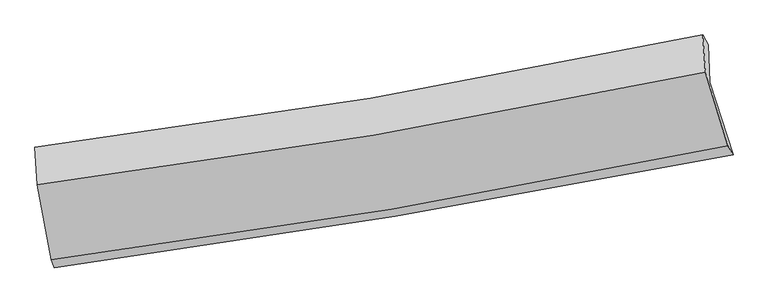
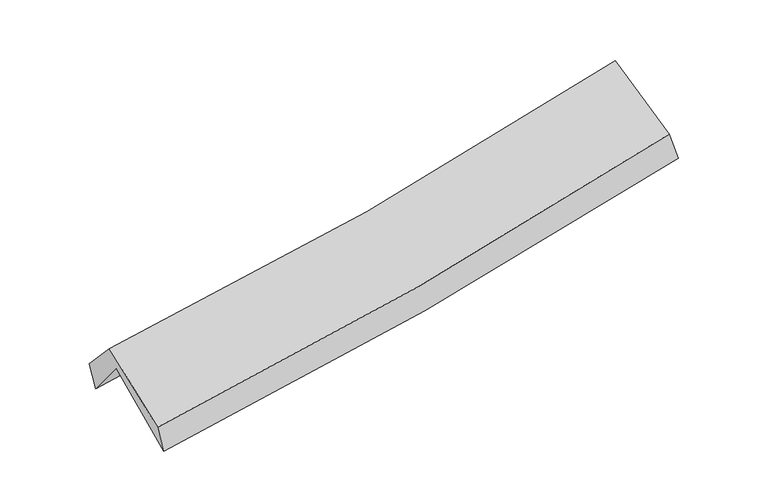
"""IFC4 building model written with IfcOpenShell, lengths in millimetres: proxy geometry."""

from ifc_helpers import new_model, si_unit, frame, origin, place, context, project, spatial, source, transform, mapped, element, save
from ifc_brep_helpers import plane_surface, spline_curve, spline_surface, advanced_brep


def generic_models_cd0cc54b(model_context):
    return source(origin(), model_context, "Body", "AdvancedBrep", [
        advanced_brep(
        [(-2217.3017214, -2472.2692316, 1495.5294792), (-2314.8835354, -1969.5548624, 1936.9054345), (2242.503821, -1208.437994, 2359.5994175), (2400.4425029, -1703.020381, 1926.7227794), (-2328.3746951, -1706.0937633, 1607.6834456), (2229.9007277, -953.3517008, 2041.017817), (-2348.1174226, -1652.7807225, 1794.3552852), (2194.0783131, -887.3385687, 2214.8032716), (-2332.5135626, -1907.7893425, 2075.1161494), (2212.3260864, -1142.316759, 2488.7883329), (-2236.7520845, -2417.0470319, 1674.007252), (2364.4609003, -1640.2737684, 2107.1105559)],
        [
            (0, 1),
            (1, 2, spline_curve(3, [(-2314.8835354, -1969.5548624, 1936.9054345), (-1549.068767079, -1864.26413593, 1983.017686921), (-786.107936496, -1748.138948477, 2041.332424827), (733.012981512, -1494.402193015, 2182.265483181), (1489.181269676, -1356.82175745, 2264.84873957), (2242.503821, -1208.437994, 2359.5994175)], [4, 2, 4], [0.0, 7.669149315644081, 15.327272066701223])),
            (2, 3),
            (3, 0, spline_curve(3, [(2400.4425029, -1703.020381, 1926.7227794), (1637.710667083, -1852.278056233, 1829.434330289), (871.81184724, -1990.972452706, 1744.874017838), (-667.427100899, -2247.419177161, 1601.106238248), (-1440.776355912, -2365.141064382, 1541.935450581), (-2217.3017214, -2472.2692316, 1495.5294792)], [4, 2, 4], [0.0, 7.658122751057142, 15.327272066701223])),
            (1, 4),
            (4, 5, spline_curve(3, [(-2328.3746951, -1706.0937633, 1607.6834456), (-1562.246618099, -1605.084306004, 1659.046660053), (-799.055133864, -1491.797118332, 1720.872965356), (720.361568691, -1240.847817443, 1865.347821653), (1476.595225432, -1103.220984146, 1947.96630673), (2229.9007277, -953.3517008, 2041.017817)], [4, 2, 4], [0.0, 7.619093501354608, 15.227232407469398])),
            (5, 2),
            (4, 6),
            (6, 7, spline_curve(3, [(-2348.1174226, -1652.7807225, 1794.3552852), (-1583.13928281, -1556.296706813, 1838.807332356), (-821.864256099, -1444.210747945, 1896.105128751), (692.190348262, -1189.018531418, 2036.291369924), (1444.980566637, -1045.957105591, 2119.142901998), (2194.0783131, -887.3385687, 2214.8032716)], [4, 2, 4], [0.0, 7.60781899379123, 15.2046996026263])),
            (7, 5),
            (6, 8),
            (8, 9, spline_curve(3, [(-2332.5135626, -1907.7893425, 2075.1161494), (-1567.530115317, -1809.019017974, 2118.323505116), (-806.031793375, -1695.788187387, 2174.433940886), (708.90474167, -1440.589107514, 2312.361745526), (1462.352969448, -1298.662409961, 2394.142037721), (2212.3260864, -1142.316759, 2488.7883329)], [4, 2, 4], [0.0, 7.597718907686047, 15.1845139521376])),
            (9, 7),
            (8, 10),
            (10, 11, spline_curve(3, [(-2236.7520845, -2417.0470319, 1674.007252), (-1462.088880838, -2316.151674893, 1724.848103947), (-691.049622973, -2200.916013833, 1786.394132687), (842.677625476, -1941.950385952, 1930.792661832), (1605.376028991, -1798.261625729, 2013.614401243), (2364.4609003, -1640.2737684, 2107.1105559)], [4, 2, 4], [0.0, 7.647411647578556, 15.28382798459732])),
            (11, 9),
            (10, 0),
            (3, 11),
        ],
        [
            spline_surface(3, 3, [[(-2217.3017214, -2472.2692316, 1495.5294792), (-1440.776355999, -2365.141064411, 1541.935450604), (-667.427100947, -2247.419177209, 1601.106238184), (871.811847288, -1990.972452658, 1744.874017902), (1637.710666981, -1852.278056322, 1829.4343304), (2400.4425029, -1703.020381, 1926.7227794)], [(-2249.828992725, -2304.697775189, 1642.654797641), (-1476.873826375, -2198.182088206, 1688.962862752), (-706.987379456, -2080.99243432, 1747.848300443), (825.54555871, -1825.44903276, 1890.671172963), (1588.200867879, -1687.12595669, 1974.572466769), (2347.796275606, -1538.15958533, 2071.014992101)], [(-2282.356264075, -2137.126318811, 1789.780116059), (-1512.971296778, -2031.223112035, 1835.990274877), (-746.547657997, -1914.565691423, 1894.590362684), (779.2792701, -1659.925612855, 2036.468328005), (1538.691068759, -1521.973857066, 2119.710603137), (2295.150048294, -1373.29878967, 2215.307204799)], [(-2314.8835354, -1969.5548624, 1936.9054345), (-1549.068767154, -1864.264135831, 1983.017687025), (-786.107936506, -1748.138948535, 2041.332424943), (733.012981522, -1494.402192958, 2182.265483065), (1489.181269657, -1356.821757434, 2264.848739506), (2242.503821, -1208.437994, 2359.5994175)]], [4, 4], [4, 2, 4], [0.0, 2.218043562681912], [0.0, 7.669149315644081, 15.327272066701223]),
            spline_surface(3, 3, [[(-2314.8835354, -1969.5548624, 1936.9054345), (-1549.068767154, -1864.264135831, 1983.017687025), (-786.107936506, -1748.138948535, 2041.332424943), (733.012981522, -1494.402192958, 2182.265483065), (1489.181269657, -1356.821757434, 2264.848739506), (2242.503821, -1208.437994, 2359.5994175)], [(-2319.380588654, -1881.73449605, 1827.164771514), (-1553.46138419, -1777.870859215, 1875.027344698), (-790.423668982, -1662.691671791, 1934.512605112), (728.795843921, -1409.884067793, 2076.626262571), (1484.985921541, -1272.288166387, 2159.2212619), (2238.302789881, -1123.409229618, 2253.405550667)], [(-2323.877641846, -1793.91412965, 1717.424108586), (-1557.854001166, -1691.47758255, 1767.037002429), (-794.739401438, -1577.244395051, 1827.69278527), (724.578706341, -1325.365942632, 1970.987042065), (1480.790573481, -1187.754575285, 2053.593784291), (2234.101758819, -1038.380465182, 2147.211683833)], [(-2328.3746951, -1706.0937633, 1607.6834456), (-1562.246618202, -1605.084305934, 1659.046660101), (-799.055133914, -1491.797118307, 1720.872965439), (720.36156874, -1240.847817468, 1865.34782157), (1476.595225365, -1103.220984238, 1947.966306685), (2229.9007277, -953.3517008, 2041.017817)]], [4, 4], [4, 2, 4], [0.0, 1.3396413378160599], [0.0, 7.619093501354608, 15.227232407469398]),
            spline_surface(3, 3, [[(-2328.3746951, -1706.0937633, 1607.6834456), (-1562.246618202, -1605.084305934, 1659.046660101), (-799.055133914, -1491.797118307, 1720.872965439), (720.36156874, -1240.847817468, 1865.34782157), (1476.595225365, -1103.220984238, 1947.966306685), (2229.9007277, -953.3517008, 2041.017817)], [(-2334.955604248, -1688.322749702, 1669.907392151), (-1569.21083973, -1588.821772926, 1718.966884171), (-806.658174619, -1475.934994902, 1779.283686569), (710.971161933, -1223.571388761, 1922.329004325), (1466.05700583, -1084.133024664, 2005.025171817), (2217.959922837, -931.34732341, 2098.946301864)], [(-2341.536513452, -1670.551736098, 1732.131338649), (-1576.175061313, -1572.559239913, 1778.887108187), (-814.261215386, -1460.072871458, 1837.694407705), (701.580755063, -1206.294960015, 1979.310187086), (1455.518786282, -1065.045065159, 2062.084036956), (2206.019117963, -909.34294609, 2156.874786736)], [(-2348.1174226, -1652.7807225, 1794.3552852), (-1583.139282841, -1556.296706905, 1838.807332256), (-821.864256091, -1444.210748054, 1896.105128834), (692.190348255, -1189.018531309, 2036.29136984), (1444.980566747, -1045.957105585, 2119.142902088), (2194.0783131, -887.3385687, 2214.8032716)]], [4, 4], [4, 2, 4], [0.0, 0.596721489428608], [0.0, 7.60781899379123, 15.2046996026263]),
            spline_surface(3, 3, [[(-2348.1174226, -1652.7807225, 1794.3552852), (-1583.139282841, -1556.296706905, 1838.807332256), (-821.864256091, -1444.210748054, 1896.105128834), (692.190348255, -1189.018531309, 2036.29136984), (1444.980566747, -1045.957105585, 2119.142902088), (2194.0783131, -887.3385687, 2214.8032716)], [(-2342.916135933, -1737.78359584, 1887.942239931), (-1577.936226993, -1640.537477227, 1931.979389885), (-816.586768543, -1528.069894512, 1988.881399498), (697.761812746, -1272.875389994, 2128.314828425), (1450.771367686, -1130.192207056, 2210.809280646), (2200.16090421, -972.331298805, 2306.131625356)], [(-2337.714849267, -1822.78646916, 1981.529194669), (-1572.733171146, -1724.778247528, 2025.151447521), (-811.309280987, -1611.929041024, 2081.657670157), (703.333277245, -1356.732248733, 2220.338287006), (1456.562168595, -1214.427308511, 2302.475659237), (2206.24349529, -1057.324028895, 2397.459979144)], [(-2332.5135626, -1907.7893425, 2075.1161494), (-1567.530115297, -1809.01901785, 2118.32350515), (-806.03179344, -1695.788187482, 2174.433940821), (708.904741735, -1440.589107418, 2312.361745591), (1462.352969535, -1298.662409982, 2394.142037796), (2212.3260864, -1142.316759, 2488.7883329)]], [4, 4], [4, 2, 4], [0.0, 1.229307567460366], [0.0, 7.597718907686047, 15.1845139521376]),
            spline_surface(3, 3, [[(-2332.5135626, -1907.7893425, 2075.1161494), (-1567.530115297, -1809.01901785, 2118.32350515), (-806.03179344, -1695.788187482, 2174.433940821), (708.904741735, -1440.589107418, 2312.361745591), (1462.352969535, -1298.662409982, 2394.142037796), (2212.3260864, -1142.316759, 2488.7883329)], [(-2300.593069905, -2077.541905615, 1941.41318358), (-1532.383037122, -1978.063236853, 1987.165038066), (-767.704403254, -1864.164129631, 2045.08733807), (753.495702936, -1607.709533599, 2185.172051005), (1510.027322706, -1465.195481916, 2267.299492264), (2263.037691039, -1308.302428811, 2361.562407243)], [(-2268.672577195, -2247.294468785, 1807.71021782), (-1497.235958931, -2147.107455912, 1856.006571041), (-729.377013044, -2032.540071729, 1915.740735378), (798.086664161, -1774.829959728, 2057.982356478), (1557.701675861, -1631.728553818, 2140.456946703), (2313.749295661, -1474.288098589, 2234.336481557)], [(-2236.7520845, -2417.0470319, 1674.007252), (-1462.088880755, -2316.151674916, 1724.848103957), (-691.049622858, -2200.916013877, 1786.394132627), (842.677625361, -1941.950385909, 1930.792661893), (1605.376029033, -1798.261625751, 2013.614401172), (2364.4609003, -1640.2737684, 2107.1105559)]], [4, 4], [4, 2, 4], [0.0, 2.1181176065116505], [0.0, 7.647411647578556, 15.28382798459732]),
            spline_surface(3, 3, [[(-2236.7520845, -2417.0470319, 1674.007252), (-1462.088880755, -2316.151674916, 1724.848103957), (-691.049622858, -2200.916013877, 1786.394132627), (842.677625361, -1941.950385909, 1930.792661893), (1605.376029033, -1798.261625751, 2013.614401172), (2364.4609003, -1640.2737684, 2107.1105559)], [(-2230.268630136, -2435.454431805, 1614.514661083), (-1454.984705839, -2332.481471419, 1663.877219522), (-683.175448901, -2216.417068307, 1724.631501157), (852.389032657, -1958.291074811, 1868.819780573), (1616.154241675, -1816.267102601, 1952.221044249), (2376.454767826, -1661.189305925, 2046.981297068)], [(-2223.785175764, -2453.861831695, 1555.022070117), (-1447.880530915, -2348.811267908, 1602.906335039), (-675.301274904, -2231.918122778, 1662.868869654), (862.100439992, -1974.631763755, 1806.846899222), (1626.932454339, -1834.272579473, 1890.827687322), (2388.448635374, -1682.104843475, 1986.852038232)], [(-2217.3017214, -2472.2692316, 1495.5294792), (-1440.776355999, -2365.141064411, 1541.935450604), (-667.427100947, -2247.419177209, 1601.106238184), (871.811847288, -1990.972452658, 1744.874017902), (1637.710666981, -1852.278056322, 1829.4343304), (2400.4425029, -1703.020381, 1926.7227794)]], [4, 4], [4, 2, 4], [0.0, 0.6346971806493854], [0.0, 7.7075462528588785, 15.40401073470691]),
            plane_surface(frame((2273.9520586, -1255.789862, 2189.6736957), z_axis=(0.9715331483852444, 0.2021909450111773, 0.12345915658282214), x_axis=(0.23565303147804506, -0.7713229851709661, -0.5912093548838322))),
            plane_surface(frame((-2296.3238369, -2020.9224924, 1763.932841), z_axis=(-0.9888039711864794, -0.1336257379508723, -0.0664143713584106), x_axis=(-0.10355006029643975, 0.2939925636825457, 0.9501819602118154))),
        ],
        [
            (0, [[1, 2, 3, 4]]),
            (1, [[5, 6, 7, -2]]),
            (2, [[8, 9, 10, -6]]),
            (3, [[11, 12, 13, -9]]),
            (4, [[14, 15, 16, -12]]),
            (5, [[17, -4, 18, -15]]),
            (6, [[-16, -18, -3, -7, -10, -13]]),
            (7, [[-17, -14, -11, -8, -5, -1]]),
        ],
    ),
    ])


if __name__ == "__main__":
    model = new_model("IFC4")
    model_context = context("Model", 3, world=origin())
    ifc_project = project(units=[si_unit("LENGTHUNIT", "METRE", prefix="MILLI")], contexts=[model_context])
    site = spatial("IfcSite", under=ifc_project)
    building = spatial("IfcBuilding", under=site)
    placement = place(None, origin())
    generic_models_shape = generic_models_cd0cc54b(model_context)
    element("IfcBuildingElementProxy", 1, Name="Generic Models", at=placement, inside=building, context=model_context, shape_type="MappedRepresentation", body=[
        mapped(generic_models_shape, transform((0.0, 0.0, 0.0), x_axis=(1.0, 0.0, 0.0), y_axis=(0.0, 1.0, 0.0), z_axis=(0.0, 0.0, 1.0))),
    ])
    save(model, "model.ifc")
